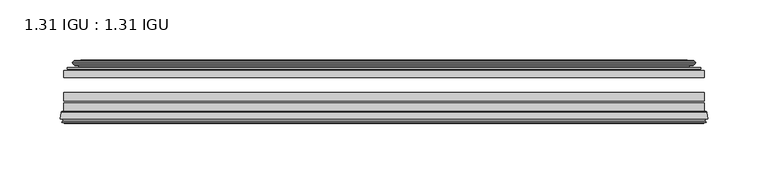
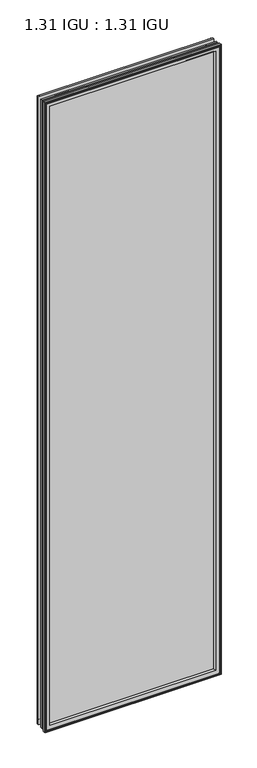
"""IFC4 building model written with IfcOpenShell, lengths in millimetres: plate geometry, 1.31 IGU : 1.31 IGU."""

from ifc_helpers import new_model, si_unit, frame, origin, place, context, project, spatial, polyline, ellipse_curve, outline, extrude, source, transform, mapped, element, save
from ifc_brep_helpers import plane_surface, cylinder_surface, revolved_surface, advanced_brep


def plate_1_31_igu_1_31_igu_ae872965(model_context):
    return source(origin(), model_context, "Body", "SolidModel", [
        extrude(outline(polyline([(265.1078362, -44.8960875), (265.1078362, -50.4332875), (-265.1127713, -50.4332875), (-265.1127713, -44.8960875), (265.1078362, -44.8960875)])), frame((0.0, 0.0, -14.2875), z_axis=(0.0, 0.0, 1.0), x_axis=(1.0, 0.0, 0.0)), (0.0, 0.0, 1.0), 2009.67848),
        extrude(outline(polyline([(-265.1127713, -78.7796875), (-265.1127713, -71.7692875), (265.1078362, -71.7692875), (265.1078362, -78.7796875), (-265.1127713, -78.7796875)])), frame((0.0, 0.0, -14.2875), z_axis=(0.0, 0.0, 1.0), x_axis=(1.0, 0.0, 0.0)), (0.0, 0.0, 1.0), 2009.67848),
        extrude(outline(polyline([(-265.1127713, -70.2452875), (-265.1127713, -63.1332875), (265.1078362, -63.1332875), (265.1078362, -70.2452875), (-265.1127713, -70.2452875)])), frame((0.0, 0.0, -14.2875), z_axis=(0.0, 0.0, 1.0), x_axis=(1.0, 0.0, 0.0)), (0.0, 0.0, 1.0), 2009.67848),
        advanced_brep(
        [(-267.6596752, -85.1296875, 1997.9378839), (-266.9648914, -79.4711276, 1997.2431001), (-266.9648914, -79.4711276, -16.1396201), (-267.6596752, -85.1296875, -16.8344039), (-265.2720752, -87.1207518, 1995.5502839), (-265.7292752, -85.1296875, 1996.0074839), (-265.7292752, -85.1296875, -14.9040039), (-265.2720752, -87.1207518, -14.4468039), (-266.2734371, -86.8524376, 1996.5516458), (-266.2734371, -86.8524376, -15.4481658), (-266.5166752, -87.7602147, 1996.7948839), (-266.5166752, -87.7602147, -15.6914039), (-264.4846752, -88.3046875, 1994.7628839), (-264.4846752, -88.3046875, -13.6594039), (-262.4526752, -87.7602147, 1992.7308839), (-262.4526752, -87.7602147, -11.6274039), (-262.6959133, -86.8524376, 1992.9741221), (-262.6959133, -86.8524376, -11.8706421), (-263.6972752, -87.1207518, 1993.9754839), (-263.6972752, -87.1207518, -12.8720039), (-263.2400752, -85.1296875, 1993.5182839), (-263.2400752, -85.1296875, -12.4148039), (-266.1833606, -78.7796875, 1996.4615693), (-266.1833606, -78.7796875, -15.3580893), (266.9648914, -79.4711276, -16.1396201), (267.6596752, -85.1296875, -16.8344039), (265.7292752, -85.1296875, -14.9040039), (265.2720752, -87.1207518, -14.4468039), (266.2734371, -86.8524376, -15.4481658), (266.5166752, -87.7602147, -15.6914039), (264.4846752, -88.3046875, -13.6594039), (262.4526752, -87.7602147, -11.6274039), (262.6959133, -86.8524376, -11.8706421), (263.6972752, -87.1207518, -12.8720039), (263.2400752, -85.1296875, -12.4148039), (266.1833606, -78.7796875, -15.3580893), (266.9648914, -79.4711276, 1997.2431001), (267.6596752, -85.1296875, 1997.9378839), (265.7292752, -85.1296875, 1996.0074839), (265.2720752, -87.1207518, 1995.5502839), (266.2734371, -86.8524376, 1996.5516458), (266.5166752, -87.7602147, 1996.7948839), (264.4846752, -88.3046875, 1994.7628839), (262.4526752, -87.7602147, 1992.7308839), (262.6959133, -86.8524376, 1992.9741221), (263.6972752, -87.1207518, 1993.9754839), (263.2400752, -85.1296875, 1993.5182839), (266.1833606, -78.7796875, 1996.4615693), (-250.8374844, -85.1296875, 1981.1156931), (250.8374844, -85.1296875, 1981.1156931), (250.8374844, -85.1296875, -0.0122131), (-250.8374844, -85.1296875, -0.0122131), (-247.5212075, -78.7796875, 3.3040638), (247.5212075, -78.7796875, 3.3040638), (247.5212075, -78.7796875, 1977.7994162), (-247.5212075, -78.7796875, 1977.7994162)],
        [
            (0, 1),
            (1, 2),
            (2, 3),
            (3, 0),
            (4, 5),
            (5, 6),
            (6, 7),
            (7, 4),
            (8, 4),
            (7, 9),
            (9, 8),
            (10, 8),
            (9, 11),
            (11, 10),
            (12, 10),
            (11, 13),
            (13, 12),
            (14, 12),
            (13, 15),
            (15, 14),
            (16, 14),
            (15, 17),
            (17, 16),
            (18, 16),
            (17, 19),
            (19, 18),
            (20, 18),
            (19, 21),
            (21, 20),
            (1, 22, ellipse_curve(frame((-266.1833606, -79.5670875, 1996.4615693), z_axis=(-0.7071067811865475, 0.0, -0.7071067811865475), x_axis=(-0.7071067811865474, 0.0, 0.7071067811865476)), 1.1135518, 0.7874)),
            (22, 23),
            (23, 2, ellipse_curve(frame((-266.1833606, -79.5670875, -15.3580893), z_axis=(-0.7071067811865475, 0.0, 0.7071067811865475), x_axis=(0.7071067811865474, 0.0, 0.7071067811865476)), 1.1135518, 0.7874)),
            (2, 24),
            (24, 25),
            (25, 3),
            (6, 26),
            (26, 27),
            (27, 7),
            (27, 28),
            (28, 9),
            (28, 29),
            (29, 11),
            (29, 30),
            (30, 13),
            (30, 31),
            (31, 15),
            (31, 32),
            (32, 17),
            (32, 33),
            (33, 19),
            (33, 34),
            (34, 21),
            (23, 35),
            (35, 24, ellipse_curve(frame((266.1833606, -79.5670875, -15.3580893), z_axis=(-0.7071067811865475, 0.0, -0.7071067811865475), x_axis=(-0.7071067811865476, 0.0, 0.7071067811865474)), 1.1135518, 0.7874)),
            (24, 36),
            (36, 37),
            (37, 25),
            (26, 38),
            (38, 39),
            (39, 27),
            (39, 40),
            (40, 28),
            (40, 41),
            (41, 29),
            (41, 42),
            (42, 30),
            (42, 43),
            (43, 31),
            (43, 44),
            (44, 32),
            (44, 45),
            (45, 33),
            (45, 46),
            (46, 34),
            (35, 47),
            (47, 36, ellipse_curve(frame((266.1833606, -79.5670875, 1996.4615693), z_axis=(0.7071067811865475, 0.0, -0.7071067811865475), x_axis=(-0.7071067811865474, 0.0, -0.7071067811865476)), 1.1135518, 0.7874)),
            (36, 1),
            (0, 37),
            (5, 38),
            (4, 39),
            (8, 40),
            (10, 41),
            (12, 42),
            (14, 43),
            (16, 44),
            (18, 45),
            (20, 46),
            (48, 49),
            (49, 50),
            (50, 51),
            (51, 48),
            (22, 47),
            (52, 53),
            (53, 54),
            (54, 55),
            (55, 52),
            (55, 48, ellipse_curve(frame((-239.5881895, -86.963653, 1969.8663982), z_axis=(0.7071067811865475, 0.0, 0.7071067811865475), x_axis=(0.7071067811865474, 0.0, -0.7071067811865476)), 16.118937, 11.3978097)),
            (51, 52, ellipse_curve(frame((-239.5881895, -86.963653, 11.2370818), z_axis=(0.7071067811865475, 0.0, -0.7071067811865475), x_axis=(-0.7071067811865474, 0.0, -0.7071067811865476)), 16.118937, 11.3978097)),
            (50, 53, ellipse_curve(frame((239.5881895, -86.963653, 11.2370818), z_axis=(0.7071067811865475, 0.0, 0.7071067811865475), x_axis=(0.7071067811865476, 0.0, -0.7071067811865474)), 16.118937, 11.3978097)),
            (49, 54, ellipse_curve(frame((239.5881895, -86.963653, 1969.8663982), z_axis=(-0.7071067811865475, 0.0, 0.7071067811865475), x_axis=(0.7071067811865474, 0.0, 0.7071067811865476)), 16.118937, 11.3978097)),
        ],
        [
            plane_surface(frame((-266.9648914, -79.4711276, 1997.2431001), z_axis=(-0.9925461516413008, 0.12186934340532067, 0.0), x_axis=(0.0, 0.0, -1.0))),
            plane_surface(frame((-265.7292752, -85.1296875, 1996.0074839), z_axis=(-0.9746347637895997, -0.22380142361654332, 0.0), x_axis=(0.0, 0.0, -1.0))),
            plane_surface(frame((-265.2720752, -87.1207518, 1995.5502839), z_axis=(0.25881904510266784, 0.9659258262890289, 0.0), x_axis=(0.0, 0.0, -1.0))),
            plane_surface(frame((-266.2734371, -86.8524376, 1996.5516458), z_axis=(-0.9659258262890449, 0.2588190451026083, 0.0), x_axis=(0.0, 0.0, -1.0))),
            plane_surface(frame((-266.5166752, -87.7602147, 1996.7948839), z_axis=(-0.2588190451025689, -0.9659258262890554, 0.0), x_axis=(0.0, 0.0, -1.0))),
            plane_surface(frame((-264.4846752, -88.3046875, 1994.7628839), z_axis=(0.25881904510241466, -0.9659258262890968, 0.0), x_axis=(0.0, 0.0, -1.0))),
            plane_surface(frame((-262.4526752, -87.7602147, 1992.7308839), z_axis=(0.9659258262890272, 0.25881904510267406, 0.0), x_axis=(0.0, 0.0, -1.0))),
            plane_surface(frame((-262.6959133, -86.8524376, 1992.9741221), z_axis=(-0.25881904510234177, 0.9659258262891163, 0.0), x_axis=(0.0, 0.0, -1.0))),
            plane_surface(frame((-263.6972752, -87.1207518, 1993.9754839), z_axis=(0.9746347637895936, -0.2238014236165695, 0.0), x_axis=(0.0, 0.0, -1.0))),
            cylinder_surface(frame((-266.1833606, -79.5670875, 2012.85348), z_axis=(0.0, 0.0, 1.0), x_axis=(-1.0, 0.0, 0.0)), 0.7874),
            plane_surface(frame((-266.9648914, -79.4711276, -16.1396201), z_axis=(0.0, 0.12186934340531747, -0.9925461516413012), x_axis=(1.0, 0.0, 0.0))),
            plane_surface(frame((-265.7292752, -85.1296875, -14.9040039), z_axis=(0.0, -0.22380142361654648, -0.9746347637895989), x_axis=(1.0, 0.0, 0.0))),
            plane_surface(frame((-265.2720752, -87.1207518, -14.4468039), z_axis=(0.0, 0.9659258262890298, 0.25881904510266474), x_axis=(1.0, 0.0, 0.0))),
            plane_surface(frame((-266.2734371, -86.8524376, -15.4481658), z_axis=(0.0, 0.25881904510260517, -0.9659258262890458), x_axis=(1.0, 0.0, 0.0))),
            plane_surface(frame((-266.5166752, -87.7602147, -15.6914039), z_axis=(0.0, -0.9659258262890563, -0.2588190451025658), x_axis=(1.0, 0.0, 0.0))),
            plane_surface(frame((-264.4846752, -88.3046875, -13.6594039), z_axis=(0.0, -0.965925826289096, 0.25881904510241777), x_axis=(1.0, 0.0, 0.0))),
            plane_surface(frame((-262.4526752, -87.7602147, -11.6274039), z_axis=(0.0, 0.2588190451026772, 0.9659258262890265), x_axis=(1.0, 0.0, 0.0))),
            plane_surface(frame((-262.6959133, -86.8524376, -11.8706421), z_axis=(0.0, 0.9659258262891154, -0.2588190451023449), x_axis=(1.0, 0.0, 0.0))),
            plane_surface(frame((-263.6972752, -87.1207518, -12.8720039), z_axis=(0.0, -0.22380142361656633, 0.9746347637895943), x_axis=(1.0, 0.0, 0.0))),
            cylinder_surface(frame((-282.5752713, -79.5670875, -15.3580893), z_axis=(-1.0, 0.0, 0.0), x_axis=(0.0, 0.0, -1.0)), 0.7874),
            plane_surface(frame((266.9648914, -79.4711276, -16.1396201), z_axis=(0.9925461516413017, 0.12186934340531426, 0.0), x_axis=(0.0, 0.0, 1.0))),
            plane_surface(frame((265.7292752, -85.1296875, -14.9040039), z_axis=(0.9746347637895981, -0.22380142361654964, 0.0), x_axis=(0.0, 0.0, 1.0))),
            plane_surface(frame((265.2720752, -87.1207518, -14.4468039), z_axis=(-0.2588190451026616, 0.9659258262890307, 0.0), x_axis=(0.0, 0.0, 1.0))),
            plane_surface(frame((266.2734371, -86.8524376, -15.4481658), z_axis=(0.9659258262890467, 0.25881904510260206, 0.0), x_axis=(0.0, 0.0, 1.0))),
            plane_surface(frame((266.5166752, -87.7602147, -15.6914039), z_axis=(0.2588190451025627, -0.9659258262890572, 0.0), x_axis=(0.0, 0.0, 1.0))),
            plane_surface(frame((264.4846752, -88.3046875, -13.6594039), z_axis=(-0.2588190451024209, -0.9659258262890951, 0.0), x_axis=(0.0, 0.0, 1.0))),
            plane_surface(frame((262.4526752, -87.7602147, -11.6274039), z_axis=(-0.9659258262890256, 0.25881904510268033, 0.0), x_axis=(0.0, 0.0, 1.0))),
            plane_surface(frame((262.6959133, -86.8524376, -11.8706421), z_axis=(0.25881904510234804, 0.9659258262891146, 0.0), x_axis=(0.0, 0.0, 1.0))),
            plane_surface(frame((263.6972752, -87.1207518, -12.8720039), z_axis=(-0.9746347637895951, -0.22380142361656316, 0.0), x_axis=(0.0, 0.0, 1.0))),
            cylinder_surface(frame((266.1833606, -79.5670875, -31.75), z_axis=(0.0, 0.0, -1.0), x_axis=(1.0, 0.0, 0.0)), 0.7874),
            plane_surface(frame((266.9648914, -79.4711276, 1997.2431001), z_axis=(0.0, 0.12186934340531747, 0.9925461516413012), x_axis=(-1.0, 0.0, 0.0))),
            plane_surface(frame((267.6596752, -85.1296875, 1997.9378839), z_axis=(0.0, -1.0, 0.0), x_axis=(-1.0, 0.0, 0.0))),
            plane_surface(frame((265.7292752, -85.1296875, 1996.0074839), z_axis=(0.0, -0.22380142361654648, 0.9746347637895989), x_axis=(-1.0, 0.0, 0.0))),
            plane_surface(frame((265.2720752, -87.1207518, 1995.5502839), z_axis=(0.0, 0.9659258262890298, -0.25881904510266474), x_axis=(-1.0, 0.0, 0.0))),
            plane_surface(frame((266.2734371, -86.8524376, 1996.5516458), z_axis=(0.0, 0.25881904510260517, 0.9659258262890458), x_axis=(-1.0, 0.0, 0.0))),
            plane_surface(frame((266.5166752, -87.7602147, 1996.7948839), z_axis=(0.0, -0.9659258262890563, 0.2588190451025658), x_axis=(-1.0, 0.0, 0.0))),
            plane_surface(frame((264.4846752, -88.3046875, 1994.7628839), z_axis=(0.0, -0.965925826289096, -0.25881904510241777), x_axis=(-1.0, 0.0, 0.0))),
            plane_surface(frame((262.4526752, -87.7602147, 1992.7308839), z_axis=(0.0, 0.2588190451026772, -0.9659258262890265), x_axis=(-1.0, 0.0, 0.0))),
            plane_surface(frame((262.6959133, -86.8524376, 1992.9741221), z_axis=(0.0, 0.9659258262891155, 0.25881904510234494), x_axis=(-1.0, 0.0, 0.0))),
            plane_surface(frame((263.6972752, -87.1207518, 1993.9754839), z_axis=(0.0, -0.22380142361656633, -0.9746347637895943), x_axis=(-1.0, 0.0, 0.0))),
            plane_surface(frame((263.2400752, -85.1296875, 1993.5182839), z_axis=(0.0, -1.0, 0.0), x_axis=(-1.0, 0.0, 0.0))),
            plane_surface(frame((247.5212075, -78.7796875, 1977.7994162), z_axis=(0.0, 1.0, 0.0), x_axis=(-1.0, 0.0, 0.0))),
            cylinder_surface(frame((282.5752713, -79.5670875, 1996.4615693), z_axis=(1.0, 0.0, 0.0), x_axis=(0.0, 0.0, 1.0)), 0.7874),
            revolved_surface(polyline([(-250.9859992, -86.963653, -0.1607278582187064), (-250.9859992, -86.963653, 1981.2642078582187)]), (-239.5881895, -86.963653, 2012.85348), (0.0, 0.0, -1.0)),
            revolved_surface(polyline([(250.9859991582187, -86.963653, -0.16072789999999948), (-250.98599915821873, -86.963653, -0.16072789999999948)]), (-282.5752713, -86.963653, 11.2370818), (1.0, 0.0, 0.0)),
            revolved_surface(polyline([(250.9859992, -86.963653, 1981.2642078582187), (250.9859992, -86.963653, -0.16072785821874191)]), (239.5881895, -86.963653, -31.75), (0.0, 0.0, 1.0)),
            revolved_surface(polyline([(-250.9859991582187, -86.963653, 1981.2642079), (250.98599915821873, -86.963653, 1981.2642079)]), (282.5752713, -86.963653, 1969.8663982), (-1.0, 0.0, 0.0)),
        ],
        [
            (0, [[1, 2, 3, 4]]),
            (1, [[5, 6, 7, 8]]),
            (2, [[9, -8, 10, 11]]),
            (3, [[12, -11, 13, 14]]),
            (4, [[15, -14, 16, 17]]),
            (5, [[18, -17, 19, 20]]),
            (6, [[21, -20, 22, 23]]),
            (7, [[24, -23, 25, 26]]),
            (8, [[27, -26, 28, 29]]),
            (9, [[30, 31, 32, -2]]),
            (10, [[-3, 33, 34, 35]]),
            (11, [[-7, 36, 37, 38]]),
            (12, [[-10, -38, 39, 40]]),
            (13, [[-13, -40, 41, 42]]),
            (14, [[-16, -42, 43, 44]]),
            (15, [[-19, -44, 45, 46]]),
            (16, [[-22, -46, 47, 48]]),
            (17, [[-25, -48, 49, 50]]),
            (18, [[-28, -50, 51, 52]]),
            (19, [[-32, 53, 54, -33]]),
            (20, [[-34, 55, 56, 57]]),
            (21, [[-37, 58, 59, 60]]),
            (22, [[-39, -60, 61, 62]]),
            (23, [[-41, -62, 63, 64]]),
            (24, [[-43, -64, 65, 66]]),
            (25, [[-45, -66, 67, 68]]),
            (26, [[-47, -68, 69, 70]]),
            (27, [[-49, -70, 71, 72]]),
            (28, [[-51, -72, 73, 74]]),
            (29, [[-54, 75, 76, -55]]),
            (30, [[-56, 77, -1, 78]]),
            (31, [[-35, -57, -78, -4], [79, -58, -36, -6]]),
            (32, [[-59, -79, -5, 80]]),
            (33, [[-61, -80, -9, 81]]),
            (34, [[-63, -81, -12, 82]]),
            (35, [[-65, -82, -15, 83]]),
            (36, [[-67, -83, -18, 84]]),
            (37, [[-69, -84, -21, 85]]),
            (38, [[-71, -85, -24, 86]]),
            (39, [[-73, -86, -27, 87]]),
            (40, [[-52, -74, -87, -29], [88, 89, 90, 91]]),
            (41, [[92, -75, -53, -31], [93, 94, 95, 96]]),
            (42, [[-76, -92, -30, -77]]),
            (43, [[97, -91, 98, -96]]),
            (44, [[-98, -90, 99, -93]]),
            (45, [[-99, -89, 100, -94]]),
            (46, [[-100, -88, -97, -95]]),
        ],
    ),
        advanced_brep(
        [(-255.7674468, -37.7373382, 1986.0456555), (-250.8258138, -36.3108875, 1981.1040226), (-250.8258138, -36.3108875, -0.0005426), (-255.7674468, -37.7373382, -4.9421755), (-255.6023415, -36.9605789, 1985.8805502), (-255.6023415, -36.9605789, -4.7770702), (-256.1978272, -36.4771203, 1986.4760359), (-256.1978272, -36.4771203, -5.3725559), (-257.462463, -37.766076, 1987.7406717), (-257.462463, -37.766076, -6.6371917), (-257.4516462, -38.8797852, 1987.7298549), (-257.4516462, -38.8797852, -6.6263749), (-256.170161, -40.1361433, 1986.4483697), (-256.170161, -40.1361433, -5.3448897), (-255.5651542, -39.649943, 1985.8433629), (-255.5651542, -39.649943, -4.7398829), (-256.1191684, -39.0959287, 1986.3973772), (-256.1191684, -39.0959287, -5.2938972), (-253.83336, -38.7029881, 1984.1115687), (-253.83336, -38.7029881, -3.0080887), (-252.3742869, -40.2107282, 1982.6524957), (-252.3742869, -40.2107282, -1.5490157), (-252.6708689, -41.651269, 1982.9490776), (-252.6708689, -41.651269, -1.8455976), (-253.4420933, -42.2798875, 1983.7203021), (-253.4420933, -42.2798875, -2.6168221), (-261.7460697, -43.4871542, 1992.0242784), (-261.4708682, -42.2798875, 1991.7490769), (-261.4708682, -42.2798875, -10.6455969), (-261.7460697, -43.4871542, -10.9207984), (-258.288501, -44.8960875, 1988.5667097), (-258.288501, -44.8960875, -7.4632297), (-247.1908772, -44.023302, 1977.4690859), (-247.5462152, -44.8960875, 1977.8244239), (-247.5462152, -44.8960875, 3.2790561), (-247.1908772, -44.023302, 3.6343941), (-247.8620752, -43.3681812, 1978.140284), (-247.8620752, -43.3681812, 2.963196), (-249.5028658, -40.6686056, 1979.7810746), (-249.5028658, -40.6686056, 1.3224054), (250.8258138, -36.3108875, -0.0005426), (255.7674468, -37.7373382, -4.9421755), (255.6023415, -36.9605789, -4.7770702), (256.1978272, -36.4771203, -5.3725559), (257.462463, -37.766076, -6.6371917), (257.4516462, -38.8797852, -6.6263749), (256.170161, -40.1361433, -5.3448897), (255.5651542, -39.649943, -4.7398829), (256.1191684, -39.0959287, -5.2938972), (253.83336, -38.7029881, -3.0080887), (252.3742869, -40.2107282, -1.5490157), (252.6708689, -41.651269, -1.8455976), (253.4420933, -42.2798875, -2.6168221), (261.4708682, -42.2798875, -10.6455969), (261.7460697, -43.4871542, -10.9207984), (258.288501, -44.8960875, -7.4632297), (247.5462152, -44.8960875, 3.2790561), (247.1908772, -44.023302, 3.6343941), (247.8620752, -43.3681812, 2.963196), (249.5028658, -40.6686056, 1.3224054), (250.8258138, -36.3108875, 1981.1040226), (255.7674468, -37.7373382, 1986.0456555), (255.6023415, -36.9605789, 1985.8805502), (256.1978272, -36.4771203, 1986.4760359), (257.462463, -37.766076, 1987.7406717), (257.4516462, -38.8797852, 1987.7298549), (256.170161, -40.1361433, 1986.4483697), (255.5651542, -39.649943, 1985.8433629), (256.1191684, -39.0959287, 1986.3973772), (253.83336, -38.7029881, 1984.1115687), (252.3742869, -40.2107282, 1982.6524957), (252.6708689, -41.651269, 1982.9490776), (253.4420933, -42.2798875, 1983.7203021), (261.4708682, -42.2798875, 1991.7490769), (261.7460697, -43.4871542, 1992.0242784), (258.288501, -44.8960875, 1988.5667097), (247.5462152, -44.8960875, 1977.8244239), (247.1908772, -44.023302, 1977.4690859), (247.8620752, -43.3681812, 1978.140284), (249.5028658, -40.6686056, 1979.7810746)],
        [
            (0, 1),
            (1, 2),
            (2, 3),
            (3, 0),
            (4, 0),
            (3, 5),
            (5, 4),
            (6, 4, ellipse_curve(frame((-255.9228584, -36.746901, 1986.2010671), z_axis=(-0.7071067811865475, 0.0, -0.7071067811865475), x_axis=(-0.7071067811865474, 0.0, 0.7071067811865476)), 0.5447741, 0.3852135)),
            (5, 7, ellipse_curve(frame((-255.9228584, -36.746901, -5.0975871), z_axis=(-0.7071067811865475, 0.0, 0.7071067811865475), x_axis=(0.7071067811865474, 0.0, 0.7071067811865476)), 0.5447741, 0.3852135)),
            (7, 6),
            (8, 6),
            (7, 9),
            (9, 8),
            (10, 8, ellipse_curve(frame((-256.9004099, -38.3175243, 1987.1786187), z_axis=(-0.7071067811865475, 0.0, -0.7071067811865475), x_axis=(-0.7071067811865474, 0.0, 0.7071067811865476)), 1.1135518, 0.7874)),
            (9, 11, ellipse_curve(frame((-256.9004099, -38.3175243, -6.0751387), z_axis=(-0.7071067811865475, 0.0, 0.7071067811865475), x_axis=(0.7071067811865474, 0.0, 0.7071067811865476)), 1.1135518, 0.7874)),
            (11, 10),
            (12, 10),
            (11, 13),
            (13, 12),
            (14, 12, ellipse_curve(frame((-255.8965635, -39.8570738, 1986.1747722), z_axis=(-0.7071067811865475, 0.0, -0.7071067811865475), x_axis=(-0.7071067811865474, 0.0, 0.7071067811865476)), 0.552694, 0.3908137)),
            (13, 15, ellipse_curve(frame((-255.8965635, -39.8570738, -5.0712922), z_axis=(-0.7071067811865475, 0.0, 0.7071067811865475), x_axis=(0.7071067811865474, 0.0, 0.7071067811865476)), 0.552694, 0.3908137)),
            (15, 14),
            (16, 14),
            (15, 17),
            (17, 16),
            (18, 16),
            (17, 19),
            (19, 18),
            (20, 18, ellipse_curve(frame((-253.6181974, -39.954629, 1983.8964061), z_axis=(0.7071067811865475, 0.0, 0.7071067811865475), x_axis=(0.7071067811865474, 0.0, -0.7071067811865476)), 1.7960512, 1.27)),
            (19, 21, ellipse_curve(frame((-253.6181974, -39.954629, -2.7929261), z_axis=(0.7071067811865475, 0.0, -0.7071067811865475), x_axis=(-0.7071067811865474, 0.0, -0.7071067811865476)), 1.7960512, 1.27)),
            (21, 20),
            (22, 20),
            (21, 23),
            (23, 22),
            (24, 22, ellipse_curve(frame((-253.4420933, -41.4924875, 1983.7203021), z_axis=(0.7071067811865475, 0.0, 0.7071067811865475), x_axis=(0.7071067811865474, 0.0, -0.7071067811865476)), 1.1135518, 0.7874)),
            (23, 25, ellipse_curve(frame((-253.4420933, -41.4924875, -2.6168221), z_axis=(0.7071067811865475, 0.0, -0.7071067811865475), x_axis=(-0.7071067811865474, 0.0, -0.7071067811865476)), 1.1135518, 0.7874)),
            (25, 24),
            (26, 27, ellipse_curve(frame((-261.4708682, -42.9148875, 1991.7490769), z_axis=(-0.7071067811865475, 0.0, -0.7071067811865475), x_axis=(-0.7071067811865474, 0.0, 0.7071067811865476)), 0.8980256, 0.635)),
            (27, 28),
            (28, 29, ellipse_curve(frame((-261.4708682, -42.9148875, -10.6455969), z_axis=(-0.7071067811865475, 0.0, 0.7071067811865475), x_axis=(0.7071067811865474, 0.0, 0.7071067811865476)), 0.8980256, 0.635)),
            (29, 26),
            (30, 26),
            (29, 31),
            (31, 30),
            (32, 33, ellipse_curve(frame((-247.5462152, -44.3873602, 1977.8244239), z_axis=(-0.7071067811865475, 0.0, -0.7071067811865475), x_axis=(-0.7071067811865474, 0.0, 0.7071067811865476)), 0.719449, 0.5087273)),
            (33, 34),
            (34, 35, ellipse_curve(frame((-247.5462152, -44.3873602, 3.2790561), z_axis=(-0.7071067811865475, 0.0, 0.7071067811865475), x_axis=(0.7071067811865474, 0.0, 0.7071067811865476)), 0.719449, 0.5087273)),
            (35, 32),
            (36, 32),
            (35, 37),
            (37, 36),
            (38, 36, ellipse_curve(frame((-243.426701, -38.823959, 1973.7049098), z_axis=(0.7071067811865475, 0.0, 0.7071067811865475), x_axis=(0.7071067811865474, 0.0, -0.7071067811865476)), 8.9802561, 6.35)),
            (37, 39, ellipse_curve(frame((-243.426701, -38.823959, 7.3985702), z_axis=(0.7071067811865475, 0.0, -0.7071067811865475), x_axis=(-0.7071067811865474, 0.0, -0.7071067811865476)), 8.9802561, 6.35)),
            (39, 38),
            (1, 38),
            (39, 2),
            (2, 40),
            (40, 41),
            (41, 3),
            (41, 42),
            (42, 5),
            (42, 43, ellipse_curve(frame((255.9228584, -36.746901, -5.0975871), z_axis=(-0.7071067811865475, 0.0, -0.7071067811865475), x_axis=(-0.7071067811865476, 0.0, 0.7071067811865474)), 0.5447741, 0.3852135)),
            (43, 7),
            (43, 44),
            (44, 9),
            (44, 45, ellipse_curve(frame((256.9004099, -38.3175243, -6.0751387), z_axis=(-0.7071067811865475, 0.0, -0.7071067811865475), x_axis=(-0.7071067811865476, 0.0, 0.7071067811865474)), 1.1135518, 0.7874)),
            (45, 11),
            (45, 46),
            (46, 13),
            (46, 47, ellipse_curve(frame((255.8965635, -39.8570738, -5.0712922), z_axis=(-0.7071067811865475, 0.0, -0.7071067811865475), x_axis=(-0.7071067811865476, 0.0, 0.7071067811865474)), 0.552694, 0.3908137)),
            (47, 15),
            (47, 48),
            (48, 17),
            (48, 49),
            (49, 19),
            (49, 50, ellipse_curve(frame((253.6181974, -39.954629, -2.7929261), z_axis=(0.7071067811865475, 0.0, 0.7071067811865475), x_axis=(0.7071067811865476, 0.0, -0.7071067811865474)), 1.7960512, 1.27)),
            (50, 21),
            (50, 51),
            (51, 23),
            (51, 52, ellipse_curve(frame((253.4420933, -41.4924875, -2.6168221), z_axis=(0.7071067811865475, 0.0, 0.7071067811865475), x_axis=(0.7071067811865476, 0.0, -0.7071067811865474)), 1.1135518, 0.7874)),
            (52, 25),
            (28, 53),
            (53, 54, ellipse_curve(frame((261.4708682, -42.9148875, -10.6455969), z_axis=(-0.7071067811865475, 0.0, -0.7071067811865475), x_axis=(-0.7071067811865476, 0.0, 0.7071067811865474)), 0.8980256, 0.635)),
            (54, 29),
            (54, 55),
            (55, 31),
            (34, 56),
            (56, 57, ellipse_curve(frame((247.5462152, -44.3873602, 3.2790561), z_axis=(-0.7071067811865475, 0.0, -0.7071067811865475), x_axis=(-0.7071067811865476, 0.0, 0.7071067811865474)), 0.719449, 0.5087273)),
            (57, 35),
            (57, 58),
            (58, 37),
            (58, 59, ellipse_curve(frame((243.426701, -38.823959, 7.3985702), z_axis=(0.7071067811865475, 0.0, 0.7071067811865475), x_axis=(0.7071067811865476, 0.0, -0.7071067811865474)), 8.9802561, 6.35)),
            (59, 39),
            (59, 40),
            (40, 60),
            (60, 61),
            (61, 41),
            (61, 62),
            (62, 42),
            (62, 63, ellipse_curve(frame((255.9228584, -36.746901, 1986.2010671), z_axis=(0.7071067811865475, 0.0, -0.7071067811865475), x_axis=(-0.7071067811865474, 0.0, -0.7071067811865476)), 0.5447741, 0.3852135)),
            (63, 43),
            (63, 64),
            (64, 44),
            (64, 65, ellipse_curve(frame((256.9004099, -38.3175243, 1987.1786187), z_axis=(0.7071067811865475, 0.0, -0.7071067811865475), x_axis=(-0.7071067811865474, 0.0, -0.7071067811865476)), 1.1135518, 0.7874)),
            (65, 45),
            (65, 66),
            (66, 46),
            (66, 67, ellipse_curve(frame((255.8965635, -39.8570738, 1986.1747722), z_axis=(0.7071067811865475, 0.0, -0.7071067811865475), x_axis=(-0.7071067811865474, 0.0, -0.7071067811865476)), 0.552694, 0.3908137)),
            (67, 47),
            (67, 68),
            (68, 48),
            (68, 69),
            (69, 49),
            (69, 70, ellipse_curve(frame((253.6181974, -39.954629, 1983.8964061), z_axis=(-0.7071067811865475, 0.0, 0.7071067811865475), x_axis=(0.7071067811865474, 0.0, 0.7071067811865476)), 1.7960512, 1.27)),
            (70, 50),
            (70, 71),
            (71, 51),
            (71, 72, ellipse_curve(frame((253.4420933, -41.4924875, 1983.7203021), z_axis=(-0.7071067811865475, 0.0, 0.7071067811865475), x_axis=(0.7071067811865474, 0.0, 0.7071067811865476)), 1.1135518, 0.7874)),
            (72, 52),
            (53, 73),
            (73, 74, ellipse_curve(frame((261.4708682, -42.9148875, 1991.7490769), z_axis=(0.7071067811865475, 0.0, -0.7071067811865475), x_axis=(-0.7071067811865474, 0.0, -0.7071067811865476)), 0.8980256, 0.635)),
            (74, 54),
            (74, 75),
            (75, 55),
            (56, 76),
            (76, 77, ellipse_curve(frame((247.5462152, -44.3873602, 1977.8244239), z_axis=(0.7071067811865475, 0.0, -0.7071067811865475), x_axis=(-0.7071067811865474, 0.0, -0.7071067811865476)), 0.719449, 0.5087273)),
            (77, 57),
            (77, 78),
            (78, 58),
            (78, 79, ellipse_curve(frame((243.426701, -38.823959, 1973.7049098), z_axis=(-0.7071067811865475, 0.0, 0.7071067811865475), x_axis=(0.7071067811865474, 0.0, 0.7071067811865476)), 8.9802561, 6.35)),
            (79, 59),
            (79, 60),
            (60, 1),
            (0, 61),
            (4, 62),
            (6, 63),
            (8, 64),
            (10, 65),
            (12, 66),
            (14, 67),
            (16, 68),
            (18, 69),
            (20, 70),
            (22, 71),
            (24, 72),
            (27, 73),
            (26, 74),
            (30, 75),
            (33, 76),
            (32, 77),
            (36, 78),
            (38, 79),
        ],
        [
            plane_surface(frame((-250.8258138, -36.3108875, 1981.1040226), z_axis=(-0.27733649284928463, 0.9607728502273879, 0.0), x_axis=(0.0, 0.0, -1.0))),
            plane_surface(frame((-255.7674468, -37.7373382, 1986.0456555), z_axis=(0.9781476007338358, -0.2079116908176177, 0.0), x_axis=(0.0, 0.0, -1.0))),
            cylinder_surface(frame((-255.9228584, -36.746901, 2012.85348), z_axis=(0.0, 0.0, 1.0), x_axis=(-1.0, 0.0, 0.0)), 0.3852135),
            plane_surface(frame((-256.1978272, -36.4771203, 1986.4760359), z_axis=(-0.7138087599382162, 0.7003406701280928, 0.0), x_axis=(0.0, 0.0, -1.0))),
            cylinder_surface(frame((-256.9004099, -38.3175243, 2012.85348), z_axis=(0.0, 0.0, 1.0), x_axis=(-1.0, 0.0, 0.0)), 0.7874),
            plane_surface(frame((-257.4516462, -38.8797852, 1987.7298549), z_axis=(-0.7000714109283732, -0.7140728391423082, 0.0), x_axis=(0.0, 0.0, -1.0))),
            cylinder_surface(frame((-255.8965635, -39.8570738, 2012.85348), z_axis=(0.0, 0.0, 1.0), x_axis=(-1.0, 0.0, 0.0)), 0.3908137),
            plane_surface(frame((-255.5651542, -39.649943, 1985.8433629), z_axis=(0.7071067811861126, 0.7071067811869826, 0.0), x_axis=(0.0, 0.0, -1.0))),
            plane_surface(frame((-256.1191684, -39.0959287, 1986.3973772), z_axis=(0.16941940671011482, -0.9855440449974789, 0.0), x_axis=(0.0, 0.0, -1.0))),
            revolved_surface(polyline([(-254.88819740000002, -39.954629, -4.062926082878221), (-254.88819740000002, -39.954629, 1985.1664060828782)]), (-253.6181974, -39.954629, 2012.85348), (0.0, 0.0, -1.0)),
            plane_surface(frame((-252.3742869, -40.2107282, 1982.6524957), z_axis=(-0.9794570432566897, 0.201652920670302, 0.0), x_axis=(0.0, 0.0, -1.0))),
            revolved_surface(polyline([(-254.2294933, -41.4924875, -3.4042221289826102), (-254.2294933, -41.4924875, 1984.5077021289826)]), (-253.4420933, -41.4924875, 2012.85348), (0.0, 0.0, -1.0)),
            cylinder_surface(frame((-261.4708682, -42.9148875, 2012.85348), z_axis=(0.0, 0.0, 1.0), x_axis=(-1.0, 0.0, 0.0)), 0.635),
            plane_surface(frame((-261.7460697, -43.4871542, 1992.0242784), z_axis=(-0.37736447542757934, -0.9260648209954139, 0.0), x_axis=(0.0, 0.0, -1.0))),
            cylinder_surface(frame((-247.5462152, -44.3873602, 2012.85348), z_axis=(0.0, 0.0, 1.0), x_axis=(-1.0, 0.0, 0.0)), 0.5087273),
            plane_surface(frame((-247.1908772, -44.023302, 1977.4690859), z_axis=(0.698484125849927, 0.7156255486884628, 0.0), x_axis=(0.0, 0.0, -1.0))),
            revolved_surface(polyline([(-249.776701, -38.823959, 1.0485702148980636), (-249.776701, -38.823959, 1980.054909785102)]), (-243.426701, -38.823959, 2012.85348), (0.0, 0.0, -1.0)),
            plane_surface(frame((-249.5028658, -40.6686056, 1979.7810746), z_axis=(0.9568763473517009, 0.2904955350411895, 0.0), x_axis=(0.0, 0.0, -1.0))),
            plane_surface(frame((-250.8258138, -36.3108875, -0.0005426), z_axis=(0.0, 0.960772850227387, -0.27733649284928774), x_axis=(1.0, 0.0, 0.0))),
            plane_surface(frame((-255.7674468, -37.7373382, -4.9421755), z_axis=(0.0, -0.20791169081761454, 0.9781476007338364), x_axis=(1.0, 0.0, 0.0))),
            cylinder_surface(frame((-282.5752713, -36.746901, -5.0975871), z_axis=(-1.0, 0.0, 0.0), x_axis=(0.0, 0.0, -1.0)), 0.3852135),
            plane_surface(frame((-256.1978272, -36.4771203, -5.3725559), z_axis=(0.0, 0.7003406701280904, -0.7138087599382185), x_axis=(1.0, 0.0, 0.0))),
            cylinder_surface(frame((-282.5752713, -38.3175243, -6.0751387), z_axis=(-1.0, 0.0, 0.0), x_axis=(0.0, 0.0, -1.0)), 0.7874),
            plane_surface(frame((-257.4516462, -38.8797852, -6.6263749), z_axis=(0.0, -0.7140728391423105, -0.7000714109283709), x_axis=(1.0, 0.0, 0.0))),
            cylinder_surface(frame((-282.5752713, -39.8570738, -5.0712922), z_axis=(-1.0, 0.0, 0.0), x_axis=(0.0, 0.0, -1.0)), 0.3908137),
            plane_surface(frame((-255.5651542, -39.649943, -4.7398829), z_axis=(0.0, 0.7071067811869849, 0.7071067811861103), x_axis=(1.0, 0.0, 0.0))),
            plane_surface(frame((-256.1191684, -39.0959287, -5.2938972), z_axis=(0.0, -0.9855440449974784, 0.16941940671011801), x_axis=(1.0, 0.0, 0.0))),
            revolved_surface(polyline([(254.88819738287833, -39.954629, -4.0629261), (-254.88819738287825, -39.954629, -4.0629261)]), (-282.5752713, -39.954629, -2.7929261), (1.0, 0.0, 0.0)),
            plane_surface(frame((-252.3742869, -40.2107282, -1.5490157), z_axis=(0.0, 0.20165292067029883, -0.9794570432566904), x_axis=(1.0, 0.0, 0.0))),
            revolved_surface(polyline([(254.22949332898253, -41.4924875, -3.4042220999999997), (-254.2294933289825, -41.4924875, -3.4042220999999997)]), (-282.5752713, -41.4924875, -2.6168221), (1.0, 0.0, 0.0)),
            cylinder_surface(frame((-282.5752713, -42.9148875, -10.6455969), z_axis=(-1.0, 0.0, 0.0), x_axis=(0.0, 0.0, -1.0)), 0.635),
            plane_surface(frame((-261.7460697, -43.4871542, -10.9207984), z_axis=(0.0, -0.9260648209954151, -0.37736447542757634), x_axis=(1.0, 0.0, 0.0))),
            cylinder_surface(frame((-282.5752713, -44.3873602, 3.2790561), z_axis=(-1.0, 0.0, 0.0), x_axis=(0.0, 0.0, -1.0)), 0.5087273),
            plane_surface(frame((-247.1908772, -44.023302, 3.6343941), z_axis=(0.0, 0.7156255486884651, 0.6984841258499247), x_axis=(1.0, 0.0, 0.0))),
            revolved_surface(polyline([(249.77670098510185, -38.823959, 1.0485702000000003), (-249.77670098510185, -38.823959, 1.0485702000000003)]), (-282.5752713, -38.823959, 7.3985702), (1.0, 0.0, 0.0)),
            plane_surface(frame((-249.5028658, -40.6686056, 1.3224054), z_axis=(0.0, 0.29049553504119263, 0.9568763473517), x_axis=(1.0, 0.0, 0.0))),
            plane_surface(frame((250.8258138, -36.3108875, -0.0005426), z_axis=(0.27733649284929085, 0.9607728502273861, 0.0), x_axis=(0.0, 0.0, 1.0))),
            plane_surface(frame((255.7674468, -37.7373382, -4.9421755), z_axis=(-0.9781476007338371, -0.20791169081761138, 0.0), x_axis=(0.0, 0.0, 1.0))),
            cylinder_surface(frame((255.9228584, -36.746901, -31.75), z_axis=(0.0, 0.0, -1.0), x_axis=(1.0, 0.0, 0.0)), 0.3852135),
            plane_surface(frame((256.1978272, -36.4771203, -5.3725559), z_axis=(0.7138087599382208, 0.7003406701280882, 0.0), x_axis=(0.0, 0.0, 1.0))),
            cylinder_surface(frame((256.9004099, -38.3175243, -31.75), z_axis=(0.0, 0.0, -1.0), x_axis=(1.0, 0.0, 0.0)), 0.7874),
            plane_surface(frame((257.4516462, -38.8797852, -6.6263749), z_axis=(0.7000714109283687, -0.7140728391423128, 0.0), x_axis=(0.0, 0.0, 1.0))),
            cylinder_surface(frame((255.8965635, -39.8570738, -31.75), z_axis=(0.0, 0.0, -1.0), x_axis=(1.0, 0.0, 0.0)), 0.3908137),
            plane_surface(frame((255.5651542, -39.649943, -4.7398829), z_axis=(-0.7071067811861079, 0.7071067811869872, 0.0), x_axis=(0.0, 0.0, 1.0))),
            plane_surface(frame((256.1191684, -39.0959287, -5.2938972), z_axis=(-0.1694194067101212, -0.9855440449974778, 0.0), x_axis=(0.0, 0.0, 1.0))),
            revolved_surface(polyline([(254.88819740000002, -39.954629, 1985.1664060828782), (254.88819740000002, -39.954629, -4.062926082878235)]), (253.6181974, -39.954629, -31.75), (0.0, 0.0, 1.0)),
            plane_surface(frame((252.3742869, -40.2107282, -1.5490157), z_axis=(0.979457043256691, 0.20165292067029567, 0.0), x_axis=(0.0, 0.0, 1.0))),
            revolved_surface(polyline([(254.2294933, -41.4924875, 1984.5077021289826), (254.2294933, -41.4924875, -3.404222128982486)]), (253.4420933, -41.4924875, -31.75), (0.0, 0.0, 1.0)),
            cylinder_surface(frame((261.4708682, -42.9148875, -31.75), z_axis=(0.0, 0.0, -1.0), x_axis=(1.0, 0.0, 0.0)), 0.635),
            plane_surface(frame((261.7460697, -43.4871542, -10.9207984), z_axis=(0.37736447542757334, -0.9260648209954163, 0.0), x_axis=(0.0, 0.0, 1.0))),
            cylinder_surface(frame((247.5462152, -44.3873602, -31.75), z_axis=(0.0, 0.0, -1.0), x_axis=(1.0, 0.0, 0.0)), 0.5087273),
            plane_surface(frame((247.1908772, -44.023302, 3.6343941), z_axis=(-0.6984841258499224, 0.7156255486884673, 0.0), x_axis=(0.0, 0.0, 1.0))),
            revolved_surface(polyline([(249.776701, -38.823959, 1980.054909785102), (249.776701, -38.823959, 1.0485702148981417)]), (243.426701, -38.823959, -31.75), (0.0, 0.0, 1.0)),
            plane_surface(frame((249.5028658, -40.6686056, 1.3224054), z_axis=(-0.9568763473516991, 0.29049553504119574, 0.0), x_axis=(0.0, 0.0, 1.0))),
            plane_surface(frame((250.8258138, -36.3108875, 1981.1040226), z_axis=(0.0, 0.960772850227387, 0.27733649284928774), x_axis=(-1.0, 0.0, 0.0))),
            plane_surface(frame((255.7674468, -37.7373382, 1986.0456555), z_axis=(0.0, -0.20791169081761454, -0.9781476007338364), x_axis=(-1.0, 0.0, 0.0))),
            cylinder_surface(frame((282.5752713, -36.746901, 1986.2010671), z_axis=(1.0, 0.0, 0.0), x_axis=(0.0, 0.0, 1.0)), 0.3852135),
            plane_surface(frame((256.1978272, -36.4771203, 1986.4760359), z_axis=(0.0, 0.7003406701280904, 0.7138087599382185), x_axis=(-1.0, 0.0, 0.0))),
            cylinder_surface(frame((282.5752713, -38.3175243, 1987.1786187), z_axis=(1.0, 0.0, 0.0), x_axis=(0.0, 0.0, 1.0)), 0.7874),
            plane_surface(frame((257.4516462, -38.8797852, 1987.7298549), z_axis=(0.0, -0.7140728391423106, 0.700071410928371), x_axis=(-1.0, 0.0, 0.0))),
            cylinder_surface(frame((282.5752713, -39.8570738, 1986.1747722), z_axis=(1.0, 0.0, 0.0), x_axis=(0.0, 0.0, 1.0)), 0.3908137),
            plane_surface(frame((255.5651542, -39.649943, 1985.8433629), z_axis=(0.0, 0.7071067811869849, -0.7071067811861103), x_axis=(-1.0, 0.0, 0.0))),
            plane_surface(frame((256.1191684, -39.0959287, 1986.3973772), z_axis=(0.0, -0.9855440449974784, -0.16941940671011801), x_axis=(-1.0, 0.0, 0.0))),
            revolved_surface(polyline([(-254.88819738287833, -39.954629, 1985.1664061), (254.88819738287825, -39.954629, 1985.1664061)]), (282.5752713, -39.954629, 1983.8964061), (-1.0, 0.0, 0.0)),
            plane_surface(frame((252.3742869, -40.2107282, 1982.6524957), z_axis=(0.0, 0.20165292067029883, 0.9794570432566904), x_axis=(-1.0, 0.0, 0.0))),
            revolved_surface(polyline([(-254.22949332898253, -41.4924875, 1984.5077021), (254.2294933289825, -41.4924875, 1984.5077021)]), (282.5752713, -41.4924875, 1983.7203021), (-1.0, 0.0, 0.0)),
            plane_surface(frame((253.4420933, -42.2798875, 1983.7203021), z_axis=(0.0, 1.0, 0.0), x_axis=(-1.0, 0.0, 0.0))),
            cylinder_surface(frame((282.5752713, -42.9148875, 1991.7490769), z_axis=(1.0, 0.0, 0.0), x_axis=(0.0, 0.0, 1.0)), 0.635),
            plane_surface(frame((261.7460697, -43.4871542, 1992.0242784), z_axis=(0.0, -0.9260648209954151, 0.37736447542757634), x_axis=(-1.0, 0.0, 0.0))),
            plane_surface(frame((258.288501, -44.8960875, 1988.5667097), z_axis=(0.0, -1.0, 0.0), x_axis=(-1.0, 0.0, 0.0))),
            cylinder_surface(frame((282.5752713, -44.3873602, 1977.8244239), z_axis=(1.0, 0.0, 0.0), x_axis=(0.0, 0.0, 1.0)), 0.5087273),
            plane_surface(frame((247.1908772, -44.023302, 1977.4690859), z_axis=(0.0, 0.7156255486884651, -0.6984841258499247), x_axis=(-1.0, 0.0, 0.0))),
            revolved_surface(polyline([(-249.77670098510185, -38.823959, 1980.0549098), (249.77670098510185, -38.823959, 1980.0549098)]), (282.5752713, -38.823959, 1973.7049098), (-1.0, 0.0, 0.0)),
            plane_surface(frame((249.5028658, -40.6686056, 1979.7810746), z_axis=(0.0, 0.29049553504119263, -0.9568763473517), x_axis=(-1.0, 0.0, 0.0))),
        ],
        [
            (0, [[1, 2, 3, 4]]),
            (1, [[5, -4, 6, 7]]),
            (2, [[8, -7, 9, 10]]),
            (3, [[11, -10, 12, 13]]),
            (4, [[14, -13, 15, 16]]),
            (5, [[17, -16, 18, 19]]),
            (6, [[20, -19, 21, 22]]),
            (7, [[23, -22, 24, 25]]),
            (8, [[26, -25, 27, 28]]),
            (9, [[29, -28, 30, 31]]),
            (10, [[32, -31, 33, 34]]),
            (11, [[35, -34, 36, 37]]),
            (12, [[38, 39, 40, 41]]),
            (13, [[42, -41, 43, 44]]),
            (14, [[45, 46, 47, 48]]),
            (15, [[49, -48, 50, 51]]),
            (16, [[52, -51, 53, 54]]),
            (17, [[55, -54, 56, -2]]),
            (18, [[-3, 57, 58, 59]]),
            (19, [[-6, -59, 60, 61]]),
            (20, [[-9, -61, 62, 63]]),
            (21, [[-12, -63, 64, 65]]),
            (22, [[-15, -65, 66, 67]]),
            (23, [[-18, -67, 68, 69]]),
            (24, [[-21, -69, 70, 71]]),
            (25, [[-24, -71, 72, 73]]),
            (26, [[-27, -73, 74, 75]]),
            (27, [[-30, -75, 76, 77]]),
            (28, [[-33, -77, 78, 79]]),
            (29, [[-36, -79, 80, 81]]),
            (30, [[-40, 82, 83, 84]]),
            (31, [[-43, -84, 85, 86]]),
            (32, [[-47, 87, 88, 89]]),
            (33, [[-50, -89, 90, 91]]),
            (34, [[-53, -91, 92, 93]]),
            (35, [[-56, -93, 94, -57]]),
            (36, [[-58, 95, 96, 97]]),
            (37, [[-60, -97, 98, 99]]),
            (38, [[-62, -99, 100, 101]]),
            (39, [[-64, -101, 102, 103]]),
            (40, [[-66, -103, 104, 105]]),
            (41, [[-68, -105, 106, 107]]),
            (42, [[-70, -107, 108, 109]]),
            (43, [[-72, -109, 110, 111]]),
            (44, [[-74, -111, 112, 113]]),
            (45, [[-76, -113, 114, 115]]),
            (46, [[-78, -115, 116, 117]]),
            (47, [[-80, -117, 118, 119]]),
            (48, [[-83, 120, 121, 122]]),
            (49, [[-85, -122, 123, 124]]),
            (50, [[-88, 125, 126, 127]]),
            (51, [[-90, -127, 128, 129]]),
            (52, [[-92, -129, 130, 131]]),
            (53, [[-94, -131, 132, -95]]),
            (54, [[-96, 133, -1, 134]]),
            (55, [[-98, -134, -5, 135]]),
            (56, [[-100, -135, -8, 136]]),
            (57, [[-102, -136, -11, 137]]),
            (58, [[-104, -137, -14, 138]]),
            (59, [[-106, -138, -17, 139]]),
            (60, [[-108, -139, -20, 140]]),
            (61, [[-110, -140, -23, 141]]),
            (62, [[-112, -141, -26, 142]]),
            (63, [[-114, -142, -29, 143]]),
            (64, [[-116, -143, -32, 144]]),
            (65, [[-118, -144, -35, 145]]),
            (66, [[146, -120, -82, -39], [-81, -119, -145, -37]]),
            (67, [[-121, -146, -38, 147]]),
            (68, [[-123, -147, -42, 148]]),
            (69, [[-86, -124, -148, -44], [149, -125, -87, -46]]),
            (70, [[-126, -149, -45, 150]]),
            (71, [[-128, -150, -49, 151]]),
            (72, [[-130, -151, -52, 152]]),
            (73, [[-132, -152, -55, -133]]),
        ],
    ),
    ])


if __name__ == "__main__":
    model = new_model("IFC4")
    model_context = context("Model", 3, world=origin())
    ifc_project = project(units=[si_unit("LENGTHUNIT", "METRE", prefix="MILLI")], contexts=[model_context])
    site = spatial("IfcSite", under=ifc_project)
    building = spatial("IfcBuilding", under=site)
    placement = place(None, origin())
    plate_1_31_igu_1_31_igu_shape = plate_1_31_igu_1_31_igu_ae872965(model_context)
    element("IfcPlate", 1, ObjectType="1.31 IGU : 1.31 IGU", at=placement, inside=building, context=model_context, shape_type="MappedRepresentation", body=[
        mapped(plate_1_31_igu_1_31_igu_shape, transform((0.0, 0.0, 0.0), x_axis=(1.0, 0.0, 0.0), y_axis=(0.0, 1.0, 0.0), z_axis=(0.0, 0.0, 1.0))),
    ])
    save(model, "model.ifc")
